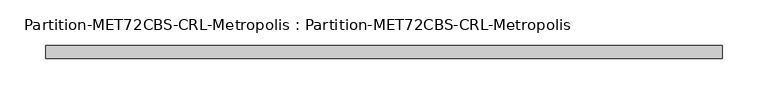
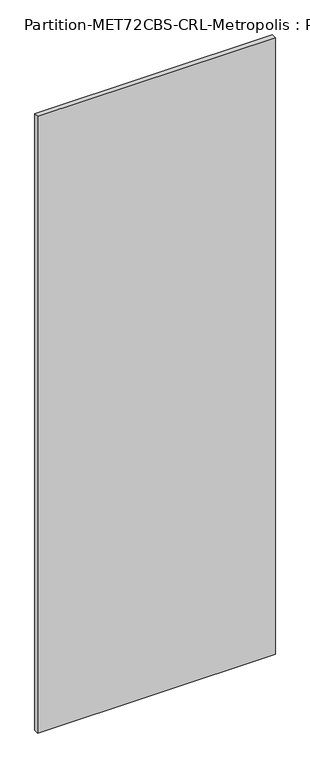
"""IFC4 building model written with IfcOpenShell, lengths in millimetres: plate geometry, Partition-MET72CBS-CRL-Metropolis : Partition-MET72CBS-CRL-Metropolis."""

from ifc_helpers import new_model, si_unit, frame, origin, place, context, project, spatial, polyline, outline, extrude, source, transform, mapped, element, save


def partition_met72cbs_crl_metropolis_partition_met72cbs_crl_6c951998(model_context):
    return source(origin(), model_context, "Body", "SweptSolid", [
        extrude(outline(polyline([(371.475, 98.425), (-371.475, 98.425), (-371.475, 112.7125), (371.475, 112.7125), (371.475, 98.425)])), frame((0.0, 0.0, 98.425), z_axis=(0.0, 0.0, 1.0), x_axis=(1.0, 0.0, 0.0)), (0.0, 0.0, 1.0), 2035.175),
    ])


if __name__ == "__main__":
    model = new_model("IFC4")
    model_context = context("Model", 3, world=origin())
    ifc_project = project(units=[si_unit("LENGTHUNIT", "METRE", prefix="MILLI")], contexts=[model_context])
    site = spatial("IfcSite", under=ifc_project)
    building = spatial("IfcBuilding", under=site)
    placement = place(None, origin())
    partition_met72cbs_crl_metropolis_partition_met72cbs_crl_shape = partition_met72cbs_crl_metropolis_partition_met72cbs_crl_6c951998(model_context)
    element("IfcPlate", 1, ObjectType="Partition-MET72CBS-CRL-Metropolis : Partition-MET72CBS-CRL-Metropolis", at=placement, inside=building, context=model_context, shape_type="MappedRepresentation", body=[
        mapped(partition_met72cbs_crl_metropolis_partition_met72cbs_crl_shape, transform((0.0, 0.0, 0.0), x_axis=(1.0, 0.0, 0.0), y_axis=(0.0, 1.0, 0.0), z_axis=(0.0, 0.0, 1.0))),
    ])
    save(model, "model.ifc")
